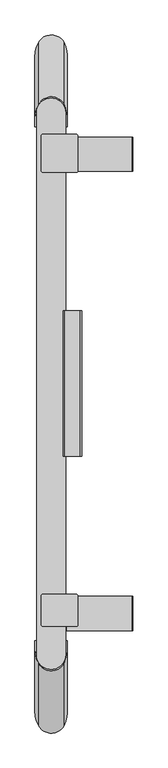
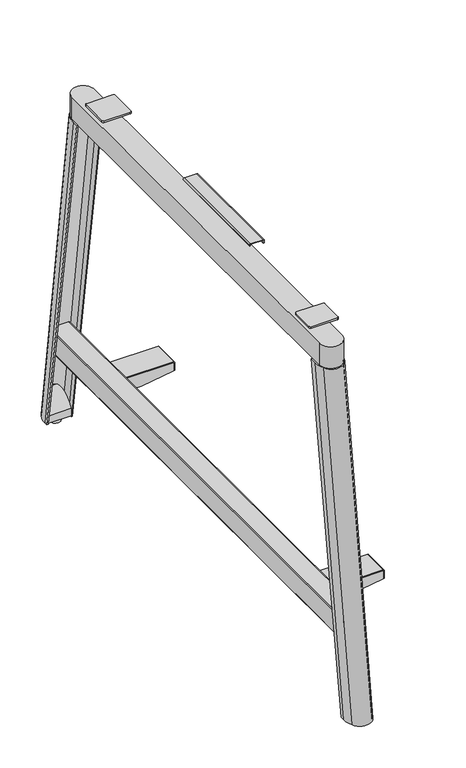
"""IFC4 building model written with IfcOpenShell, lengths in millimetres: furniture geometry."""

import ifcopenshell
import ifcopenshell.guid

model = None  # the IFC model being written
_history = None  # IfcOwnerHistory: only IFC2X3 demands one
_inside = {}  # id of a spatial element -> (the spatial element, [elements in it])
_under = {}  # id of a project, library or spatial element -> (it, [spatial elements below it])
_declared = {}  # id of a project -> (the project, [libraries it declares])
_typed = {}  # id of a type object -> (the type object, [elements of that type])
_made_of = {}  # id of a material, layer set ... -> (it, [elements and type objects made of it])


def new_model(schema):
    """Start an empty IFC model of exactly this schema.

    Asked for "IFC4X3", IfcOpenShell would pick the latest addendum, in which some entities
    have other attributes; the version numbers below select the first issue.
    IFC2X3 requires an IfcOwnerHistory on every rooted entity: one is made here for all.
    """
    global model, _history
    if schema == "IFC4X3":
        model = ifcopenshell.file(schema_version=(4, 3, 0, 0))
    else:
        model = ifcopenshell.file(schema=schema)
    _inside.clear()
    _under.clear()
    _declared.clear()
    _typed.clear()
    _made_of.clear()
    _history = None
    if model.schema == "IFC2X3":
        org = make("IfcOrganization", Name="unknown")
        user = make(
            "IfcPersonAndOrganization",
            ThePerson=make("IfcPerson", FamilyName="unknown"),
            TheOrganization=org,
        )
        app = make(
            "IfcApplication",
            ApplicationDeveloper=org,
            Version="unknown",
            ApplicationFullName="unknown",
            ApplicationIdentifier="unknown",
        )
        _history = make(
            "IfcOwnerHistory",
            OwningUser=user,
            OwningApplication=app,
            ChangeAction="ADDED",
            CreationDate=0,
        )
    return model


def make(cls, **values):
    """One entity of the class cls with the attributes given. An attribute that is None is left unset."""
    return model.create_entity(
        cls, **{name: value for name, value in values.items() if value is not None}
    )


def rooted(cls, **values):
    """An entity with a GlobalId (a new one), such as an element, a storey or a relation."""
    return make(cls, GlobalId=ifcopenshell.guid.new(), OwnerHistory=_history, **values)


def si_unit(unit_type, name, prefix=None):
    """IfcSIUnit, for example si_unit("LENGTHUNIT", "METRE", prefix="MILLI")."""
    return make("IfcSIUnit", UnitType=unit_type, Prefix=prefix, Name=name)


def assignment(units):
    """IfcUnitAssignment: the units of a project."""
    return None if units is None else make("IfcUnitAssignment", Units=units)


def point(xyz):
    """IfcCartesianPoint."""
    return None if xyz is None else make("IfcCartesianPoint", Coordinates=xyz)


def direction(xyz):
    """IfcDirection."""
    return None if xyz is None else make("IfcDirection", DirectionRatios=xyz)


def frame(location, z_axis=None, x_axis=None):
    """IfcAxis2Placement3D, a coordinate frame: its origin and axes. An axis left out is left unset."""
    return make(
        "IfcAxis2Placement3D",
        Location=point(location),
        Axis=direction(z_axis),
        RefDirection=direction(x_axis),
    )


def frame_2d(location, x_axis=None):
    """IfcAxis2Placement2D, a coordinate frame in the plane: its origin and x axis."""
    return make(
        "IfcAxis2Placement2D", Location=point(location), RefDirection=direction(x_axis)
    )


def origin():
    """The frame at (0, 0, 0) with its axes left unset."""
    return frame((0.0, 0.0, 0.0))


def place(relative_to, where):
    """IfcLocalPlacement: puts the frame where relative to a parent placement (None: the world)."""
    return make(
        "IfcLocalPlacement", PlacementRelTo=relative_to, RelativePlacement=where
    )


def context(
    kind, dimensions, precision=None, world=None, true_north=None, identifier=None
):
    """IfcGeometricRepresentationContext, for example the 3D "Model" context."""
    return make(
        "IfcGeometricRepresentationContext",
        ContextIdentifier=identifier,
        ContextType=kind,
        CoordinateSpaceDimension=dimensions,
        Precision=precision,
        WorldCoordinateSystem=world,
        TrueNorth=true_north,
    )


def project(units=None, contexts=None):
    """IfcProject with its units and contexts."""
    return rooted(
        "IfcProject",
        Name="project",
        RepresentationContexts=contexts,
        UnitsInContext=assignment(units),
    )


def spatial(cls, under=None, at=None, **own):
    """A site, building, storey or space (cls), placed at a placement, below another one or the project."""
    s = rooted(cls, ObjectPlacement=at, **own)
    if under is not None:
        _under.setdefault(under.id(), (under, []))[1].append(s)
    return s


def polyline(points):
    """IfcPolyline through the points."""
    return make("IfcPolyline", Points=[point(p) for p in points])


def circle_curve(where, radius):
    """IfcCircle in the frame where."""
    return make("IfcCircle", Position=where, Radius=radius)


def ellipse_curve(where, semi_axis1, semi_axis2):
    """IfcEllipse in the frame where."""
    return make(
        "IfcEllipse", Position=where, SemiAxis1=semi_axis1, SemiAxis2=semi_axis2
    )


def trimmed(basis, trim1, trim2, sense, master):
    """IfcTrimmedCurve: the piece of a basis curve between two trims."""
    return make(
        "IfcTrimmedCurve",
        BasisCurve=basis,
        Trim1=trim1,
        Trim2=trim2,
        SenseAgreement=sense,
        MasterRepresentation=master,
    )


def segment(curve, same_sense, transition):
    """IfcCompositeCurveSegment."""
    return make(
        "IfcCompositeCurveSegment",
        Transition=transition,
        SameSense=same_sense,
        ParentCurve=curve,
    )


def composite_curve(segments, self_intersect=None):
    """IfcCompositeCurve: segments joined end to end."""
    return make("IfcCompositeCurve", Segments=segments, SelfIntersect=self_intersect)


def outline(outer, holes=None, kind="AREA"):
    """IfcArbitraryClosedProfileDef: a profile drawn as a closed curve; with holes, ...WithVoids."""
    if holes is None:
        return make("IfcArbitraryClosedProfileDef", ProfileType=kind, OuterCurve=outer)
    return make(
        "IfcArbitraryProfileDefWithVoids",
        ProfileType=kind,
        OuterCurve=outer,
        InnerCurves=holes,
    )


def extrude(swept, where, along, depth):
    """IfcExtrudedAreaSolid: the profile swept, set in the frame where, extruded along a direction by depth."""
    return make(
        "IfcExtrudedAreaSolid",
        SweptArea=swept,
        Position=where,
        ExtrudedDirection=direction(along),
        Depth=depth,
    )


def shape(context_of_items, identifier, shape_type, items):
    """IfcShapeRepresentation: the items that make up one representation, for example the "Body"."""
    return make(
        "IfcShapeRepresentation",
        ContextOfItems=context_of_items,
        RepresentationIdentifier=identifier,
        RepresentationType=shape_type,
        Items=items,
    )


def source(mapping_origin, context_of_items, identifier, shape_type, items):
    """IfcRepresentationMap: a shape defined once, which mapped items show again and again."""
    return make(
        "IfcRepresentationMap",
        MappingOrigin=mapping_origin,
        MappedRepresentation=shape(context_of_items, identifier, shape_type, items),
    )


def transform(
    local_origin,
    x_axis=None,
    y_axis=None,
    z_axis=None,
    scale=None,
    scale2=None,
    scale3=None,
    uniform=True,
):
    """IfcCartesianTransformationOperator3D, or its non-uniform kind. x_axis, y_axis, z_axis: its Axis1, 2, 3."""
    if uniform:
        return make(
            "IfcCartesianTransformationOperator3D",
            Axis1=direction(x_axis),
            Axis2=direction(y_axis),
            LocalOrigin=point(local_origin),
            Scale=scale,
            Axis3=direction(z_axis),
        )
    return make(
        "IfcCartesianTransformationOperator3DnonUniform",
        Axis1=direction(x_axis),
        Axis2=direction(y_axis),
        LocalOrigin=point(local_origin),
        Scale=scale,
        Axis3=direction(z_axis),
        Scale2=scale2,
        Scale3=scale3,
    )


def mapped(mapping_source, mapping_target):
    """IfcMappedItem: shows the shape of a source again, moved by a transform."""
    return make(
        "IfcMappedItem", MappingSource=mapping_source, MappingTarget=mapping_target
    )


def made_of(thing, what):
    """Note that an element or type object is made of a material, layer set ...; save() writes the relation."""
    if what is not None:
        _made_of.setdefault(what.id(), (what, []))[1].append(thing)
    return thing


def element(
    cls,
    number,
    at=None,
    inside=None,
    cuts=None,
    type_object=None,
    material=None,
    context=None,
    identifier="Body",
    shape_type=None,
    held_by="IfcProductDefinitionShape",
    body=None,
    shapes=None,
    **own,
):
    """One element of the class cls, such as IfcWall. Its Tag is "e" and its number.

    at: its placement. inside: the storey or other place that contains it. cuts: it is an
    opening in that element (IfcRelVoidsElement). A single representation is given by context,
    identifier, shape_type and body (its items); several are given by shapes. held_by: the class
    of the entity that holds the representations. save() writes the other relations.
    """
    e = rooted(cls, Tag="e%d" % number, ObjectPlacement=at, **own)
    if body is not None:
        shapes = [shape(context, identifier, shape_type, body)]
    if shapes is not None:
        e.Representation = make(held_by, Representations=shapes)
    if inside is not None:
        _inside.setdefault(inside.id(), (inside, []))[1].append(e)
    if cuts is not None:
        rooted(
            "IfcRelVoidsElement", RelatingBuildingElement=cuts, RelatedOpeningElement=e
        )
    if type_object is not None:
        _typed.setdefault(type_object.id(), (type_object, []))[1].append(e)
    return made_of(e, material)


def aggregate(whole, parts):
    """IfcRelAggregates: a whole, such as a stair, and the parts it consists of."""
    return rooted("IfcRelAggregates", RelatingObject=whole, RelatedObjects=parts)


def save(model, path):
    """Write the relations noted so far, then the file.

    IfcRelAggregates (storeys below a building ...), IfcRelContainedInSpatialStructure (elements
    in a storey), IfcRelDefinesByType, IfcRelAssociatesMaterial and IfcRelDeclares: one each for
    every whole, place, type object, material and project.
    """
    for whole, parts in _under.values():
        aggregate(whole, parts)
    for where, things in _inside.values():
        rooted(
            "IfcRelContainedInSpatialStructure",
            RelatedElements=things,
            RelatingStructure=where,
        )
    for kind, things in _typed.values():
        rooted("IfcRelDefinesByType", RelatedObjects=things, RelatingType=kind)
    for what, things in _made_of.values():
        rooted("IfcRelAssociatesMaterial", RelatedObjects=things, RelatingMaterial=what)
    for by, libraries in _declared.values():
        rooted("IfcRelDeclares", RelatingContext=by, RelatedDefinitions=libraries)
    model.write(path)


def plane_surface(at):
    """IfcPlane: the flat surface through the origin of the frame at, square to its z axis."""
    return make("IfcPlane", Position=at)


def cylinder_surface(at, radius):
    """IfcCylindricalSurface: all points at the distance radius from the z axis of the frame at."""
    return make("IfcCylindricalSurface", Position=at, Radius=radius)


def extruded_surface(curve, direction_of_extrusion, depth):
    """IfcSurfaceOfLinearExtrusion: the curve pushed along a direction by depth."""
    return make(
        "IfcSurfaceOfLinearExtrusion",
        SweptCurve=make("IfcArbitraryOpenProfileDef", ProfileType="CURVE", Curve=curve),
        ExtrudedDirection=direction(direction_of_extrusion),
        Depth=depth,
    )


def advanced_brep(points, edges, surfaces, faces):
    """IfcAdvancedBrep: a solid bounded by faces that lie on surfaces and meet in shared edges.

    An edge is (start, end): straight between two places in points (the first is 0);
    or (start, end, curve); or (start, end, curve, False) where it runs against its curve.
    A face is (place in surfaces, loops), or (place, loops, False) where it looks against
    its surface's normal. A loop lists edges by number (the first is 1), with a minus sign
    where the edge is run from its end to its start. The first loop is the outer one.
    """
    corners = [point(p) for p in points]
    vertices = [make("IfcVertexPoint", VertexGeometry=c) for c in corners]
    made = []
    for start, end, *more in edges:
        made.append(
            make(
                "IfcEdgeCurve",
                EdgeStart=vertices[start],
                EdgeEnd=vertices[end],
                EdgeGeometry=more[0] if more else make("IfcPolyline", Points=[corners[start], corners[end]]),
                SameSense=more[1] if len(more) > 1 else True,
            )
        )
    hull = []
    for where, loops, *sense in faces:
        bounds = []
        for j, loop in enumerate(loops):
            ring = [make("IfcOrientedEdge", EdgeElement=made[abs(k) - 1], Orientation=k > 0) for k in loop]
            bounds.append(
                make(
                    "IfcFaceOuterBound" if j == 0 else "IfcFaceBound",
                    Bound=make("IfcEdgeLoop", EdgeList=ring),
                    Orientation=True,
                )
            )
        hull.append(make("IfcAdvancedFace", Bounds=bounds, FaceSurface=surfaces[where], SameSense=sense[0] if sense else True))
    return make("IfcAdvancedBrep", Outer=make("IfcClosedShell", CfsFaces=hull))


def furniture_1a665bd4(model_context):
    return source(origin(), model_context, "Body", "SolidModel", [
        extrude(outline(polyline([(247.1098626, 204.7509062), (247.1098626, 71.0011458), (213.0002781, 71.0011458), (213.0002781, 120.0296955), (226.0006492, 204.7509062), (247.1098626, 204.7509062)])), frame((0.0, -480.2803295, 0.0), z_axis=(0.0, 1.0, 0.0), x_axis=(0.0, 0.0, 1.0)), (0.0, 0.0, 1.0), 2.5699868),
        extrude(outline(polyline([(247.1098626, 204.7509062), (247.1098626, 71.0011458), (213.0002781, 71.0011458), (213.0002781, 120.0296955), (226.0006492, 204.7509062), (247.1098626, 204.7509062)])), frame((0.0, -412.9095614, 0.0), z_axis=(0.0, 1.0, 0.0), x_axis=(0.0, 0.0, 1.0)), (0.0, 0.0, 1.0), 2.5976563),
        extrude(outline(composite_curve([segment(polyline([(249.9945153, 204.3893194), (249.9945153, 71.2790115)]), True, "CONTINUOUS"), segment(trimmed(circle_curve(frame_2d((247.3393732, 71.2790115)), 2.6551421), [point((249.9945153, 71.2790115))], [point((247.3393732, 68.6238694))], False, "CARTESIAN"), True, "CONTINUOUS"), segment(polyline([(247.3393732, 68.6238694), (215.1802751, 68.6238694)]), True, "CONTINUOUS"), segment(trimmed(circle_curve(frame_2d((215.1802751, 66.4438379)), 2.1800315), [point((215.1802751, 68.6238694))], [point((213.0002436, 66.4438379))], True, "CARTESIAN"), True, "CONTINUOUS"), segment(polyline([(213.0002436, 66.4438379), (213.0002436, 45.6962116), (211.1704919, 45.6962116), (211.1704919, 68.4397052)]), True, "CONTINUOUS"), segment(trimmed(circle_curve(frame_2d((213.7319325, 68.4397052)), 2.5614406), [point((211.1704919, 68.4397052))], [point((213.7319325, 71.0011458))], False, "CARTESIAN"), True, "CONTINUOUS"), segment(polyline([(213.7319325, 71.0011458), (247.1098626, 71.0011458), (247.1098626, 204.7509062), (226.0006492, 204.7509062), (226.0006492, 206.692303), (247.6915317, 206.692303)]), True, "CONTINUOUS"), segment(trimmed(circle_curve(frame_2d((247.6915317, 204.3893194)), 2.3029836), [point((247.6915317, 206.692303))], [point((249.9945153, 204.3893194))], False, "CARTESIAN"), True, "CONTINUOUS")], self_intersect=False)), frame((0.0, -480.2803295, 0.0), z_axis=(0.0, 1.0, 0.0), x_axis=(0.0, 0.0, 1.0)), (0.0, 0.0, 1.0), 69.9684243),
        extrude(outline(polyline([(247.1098626, 204.7509062), (247.1098626, 71.0011458), (213.0002781, 71.0011458), (213.0002781, 120.0296955), (226.0006492, 204.7509062), (247.1098626, 204.7509062)])), frame((0.0, 527.0884854, 0.0), z_axis=(0.0, 1.0, 0.0), x_axis=(0.0, 0.0, 1.0)), (0.0, 0.0, 1.0), 2.5976563),
        extrude(outline(polyline([(247.1098626, 204.7509062), (247.1098626, 71.0011458), (213.0002781, 71.0011458), (213.0002781, 120.0296955), (226.0006492, 204.7509062), (247.1098626, 204.7509062)])), frame((0.0, 459.6993826, 0.0), z_axis=(0.0, 1.0, 0.0), x_axis=(0.0, 0.0, 1.0)), (0.0, 0.0, 1.0), 2.5883215),
        extrude(outline(composite_curve([segment(polyline([(249.9945153, 204.3893194), (249.9945153, 71.2790115)]), True, "CONTINUOUS"), segment(trimmed(circle_curve(frame_2d((247.3393732, 71.2790115)), 2.6551421), [point((249.9945153, 71.2790115))], [point((247.3393732, 68.6238694))], False, "CARTESIAN"), True, "CONTINUOUS"), segment(polyline([(247.3393732, 68.6238694), (215.1802751, 68.6238694)]), True, "CONTINUOUS"), segment(trimmed(circle_curve(frame_2d((215.1802751, 66.4438379)), 2.1800315), [point((215.1802751, 68.6238694))], [point((213.0002436, 66.4438379))], True, "CARTESIAN"), True, "CONTINUOUS"), segment(polyline([(213.0002436, 66.4438379), (213.0002436, 45.6962116), (211.1704919, 45.6962116), (211.1704919, 68.4397052)]), True, "CONTINUOUS"), segment(trimmed(circle_curve(frame_2d((213.7319325, 68.4397052)), 2.5614406), [point((211.1704919, 68.4397052))], [point((213.7319325, 71.0011458))], False, "CARTESIAN"), True, "CONTINUOUS"), segment(polyline([(213.7319325, 71.0011458), (247.1098626, 71.0011458), (247.1098626, 204.7509062), (226.0006492, 204.7509062), (226.0006492, 206.692303), (247.6915317, 206.692303)]), True, "CONTINUOUS"), segment(trimmed(circle_curve(frame_2d((247.6915317, 204.3893194)), 2.3029836), [point((247.6915317, 206.692303))], [point((249.9945153, 204.3893194))], False, "CARTESIAN"), True, "CONTINUOUS")], self_intersect=False)), frame((0.0, 459.6993826, 0.0), z_axis=(0.0, 1.0, 0.0), x_axis=(0.0, 0.0, 1.0)), (0.0, 0.0, 1.0), 69.986759),
        extrude(outline(composite_curve([segment(trimmed(circle_curve(frame_2d((215.434677, 62.5655666)), 2.4344334), [point((213.0002436, 62.5655666))], [point((215.434677, 65.0))], False, "CARTESIAN"), True, "CONTINUOUS"), segment(polyline([(215.434677, 65.0), (271.0148288, 65.0)]), True, "CONTINUOUS"), segment(trimmed(circle_curve(frame_2d((271.0148288, 63.0151407)), 1.9848593), [point((271.0148288, 65.0))], [point((272.9996881, 63.0151407))], False, "CARTESIAN"), True, "CONTINUOUS"), segment(polyline([(272.9996881, 63.0151407), (272.9996881, 14.7788126)]), True, "CONTINUOUS"), segment(trimmed(circle_curve(frame_2d((270.8389791, 14.7788126)), 2.160709), [point((272.9996881, 14.7788126))], [point((270.8389791, 12.6181036))], False, "CARTESIAN"), True, "CONTINUOUS"), segment(polyline([(270.8389791, 12.6181036), (215.3933211, 12.6181036)]), True, "CONTINUOUS"), segment(trimmed(circle_curve(frame_2d((215.3933211, 15.0111811)), 2.3930774), [point((215.3933211, 12.6181036))], [point((213.0002436, 15.0111811))], False, "CARTESIAN"), True, "CONTINUOUS"), segment(polyline([(213.0002436, 15.0111811), (213.0002436, 62.5655666)]), True, "CONTINUOUS")], self_intersect=False)), frame((0.0, -635.7812811, 0.0), z_axis=(0.0, 1.0, 0.0), x_axis=(0.0, 0.0, 1.0)), (0.0, 0.0, 1.0), 1320.9375622),
        advanced_brep(
        [(6.0, -635.7812811, 9.9999392), (9.4999998, -635.7812811, 9.9999392), (9.4999998, -645.7065799, 9.9999392), (13.8271404, -669.176268, 9.9999392), (64.8959051, -669.4877121, 9.9999392), (68.8203133, -648.907064, 9.9999392), (68.8203133, -635.7812811, 9.9999392), (72.000002, -635.7812811, 9.9999392), (72.000002, -648.907064, 9.9999392), (65.9903208, -673.7603717, 9.9999392), (12.3278754, -673.1778157, 9.9999392), (6.0, -645.7065799, 9.9999392), (6.0, -501.0025911, 910.214177), (6.0, -518.2065799, 910.214177), (12.3278754, -545.6778157, 910.214177), (65.9903208, -546.2603717, 910.214177), (72.000002, -521.407064, 910.214177), (72.000002, -501.0025911, 910.214177), (68.8203133, -501.0025911, 910.214177), (68.8203133, -521.407064, 910.214177), (64.8959051, -541.9877121, 910.214177), (13.8271404, -541.676268, 910.214177), (9.4999998, -518.2065799, 910.214177), (9.4999998, -501.0025911, 910.214177)],
        [
            (0, 1),
            (1, 2),
            (2, 3, circle_curve(frame((75.3114051, -645.7065799, 9.9999392), z_axis=(0.0, 0.0, 1.0), x_axis=(1.0, 0.0, 0.0)), 65.8114053)),
            (3, 4, circle_curve(frame((39.4220553, -659.4062126, 9.9999392), z_axis=(0.0, 0.0, 1.0), x_axis=(1.0, 0.0, 0.0)), 27.3962343)),
            (4, 5, circle_curve(frame((12.8928932, -648.907064, 9.9999392), z_axis=(0.0, 0.0, 1.0), x_axis=(1.0, 0.0, 0.0)), 55.9274201)),
            (5, 6),
            (6, 7),
            (7, 8),
            (8, 9, circle_curve(frame((17.6041738, -648.907064, 9.9999392), z_axis=(0.0, 0.0, -1.0), x_axis=(1.0, 0.0, 0.0)), 54.3958282)),
            (9, 10, circle_curve(frame((39.3047374, -660.0534523, 9.9999392), z_axis=(0.0, 0.0, -1.0), x_axis=(1.0, 0.0, 0.0)), 30.0)),
            (10, 11, circle_curve(frame((68.794442, -645.7065799, 9.9999392), z_axis=(0.0, 0.0, -1.0), x_axis=(1.0, 0.0, 0.0)), 62.794442)),
            (11, 0),
            (12, 13),
            (13, 14, circle_curve(frame((68.794442, -518.2065799, 910.214177), z_axis=(0.0, 0.0, 1.0), x_axis=(1.0, 0.0, 0.0)), 62.794442)),
            (14, 15, circle_curve(frame((39.3047374, -532.5534523, 910.214177), z_axis=(0.0, 0.0, 1.0), x_axis=(1.0, 0.0, 0.0)), 30.0)),
            (15, 16, circle_curve(frame((17.6041738, -521.407064, 910.214177), z_axis=(0.0, 0.0, 1.0), x_axis=(1.0, 0.0, 0.0)), 54.3958282)),
            (16, 17),
            (17, 18),
            (18, 19),
            (19, 20, circle_curve(frame((12.8928932, -521.407064, 910.214177), z_axis=(0.0, 0.0, -1.0), x_axis=(1.0, 0.0, 0.0)), 55.9274201)),
            (20, 21, circle_curve(frame((39.4220553, -531.9062126, 910.214177), z_axis=(0.0, 0.0, -1.0), x_axis=(1.0, 0.0, 0.0)), 27.3962343)),
            (21, 22, circle_curve(frame((75.3114051, -518.2065799, 910.214177), z_axis=(0.0, 0.0, -1.0), x_axis=(1.0, 0.0, 0.0)), 65.8114053)),
            (22, 23),
            (23, 12),
            (22, 2),
            (1, 23),
            (21, 3),
            (20, 4),
            (19, 5),
            (18, 6),
            (16, 8),
            (7, 17),
            (15, 9),
            (14, 10),
            (13, 11),
            (12, 0),
        ],
        [
            plane_surface(frame((39.140156, -651.496215, 9.9999392), z_axis=(0.0, 0.0, -1.0), x_axis=(0.0, 1.0, 0.0))),
            plane_surface(frame((39.140156, -521.569985, 910.214177), z_axis=(0.0, 0.0, 1.0), x_axis=(0.0, 1.0, 0.0))),
            plane_surface(frame((9.4999998, -509.6045855, 910.214177), z_axis=(1.0, 0.0, 0.0), x_axis=(0.0, 1.0, 0.0))),
            extruded_surface(trimmed(circle_curve(frame((75.3114051, -645.7065799, 9.9999392), z_axis=(0.0, 0.0, -1.0), x_axis=(1.0, 0.0, 0.0)), 65.8114053), [point((13.8271404, -669.176268, 9.9999392))], [point((9.4999998, -645.7065799, 9.9999392))], True, "CARTESIAN"), (0.0, 127.5, 900.2142378), 909.1985063438209),
            extruded_surface(trimmed(circle_curve(frame((39.4220553, -659.4062126, 9.9999392), z_axis=(0.0, 0.0, -1.0), x_axis=(1.0, 0.0, 0.0)), 27.3962343), [point((64.8959051, -669.4877121, 9.9999392))], [point((13.8271404, -669.176268, 9.9999392))], True, "CARTESIAN"), (0.0, 127.5, 900.2142378), 909.1985063438209),
            extruded_surface(trimmed(circle_curve(frame((12.8928932, -648.907064, 9.9999392), z_axis=(0.0, 0.0, -1.0), x_axis=(1.0, 0.0, 0.0)), 55.9274201), [point((68.8203133, -648.907064, 9.9999392))], [point((64.8959051, -669.4877121, 9.9999392))], True, "CARTESIAN"), (0.0, 127.5, 900.2142378), 909.1985063438209),
            plane_surface(frame((68.8203133, -511.2048276, 910.214177), z_axis=(-1.0, 0.0, 0.0), x_axis=(0.0, -1.0, 0.0))),
            plane_surface(frame((72.000002, -511.2048276, 910.214177), z_axis=(1.0, 0.0, 0.0), x_axis=(0.0, 1.0, 0.0))),
            extruded_surface(trimmed(circle_curve(frame((17.6041738, -648.907064, 9.9999392), z_axis=(0.0, 0.0, 1.0), x_axis=(1.0, 0.0, 0.0)), 54.3958282), [point((65.9903208, -673.7603717, 9.9999392))], [point((72.000002, -648.907064, 9.9999392))], True, "CARTESIAN"), (0.0, 127.5, 900.2142378), 909.1985063438209),
            extruded_surface(trimmed(circle_curve(frame((39.3047374, -660.0534523, 9.9999392), z_axis=(0.0, 0.0, 1.0), x_axis=(1.0, 0.0, 0.0)), 30.0), [point((12.3278754, -673.1778157, 9.9999392))], [point((65.9903208, -673.7603717, 9.9999392))], True, "CARTESIAN"), (0.0, 127.5, 900.2142378), 909.1985063438209),
            extruded_surface(trimmed(circle_curve(frame((68.794442, -645.7065799, 9.9999392), z_axis=(0.0, 0.0, 1.0), x_axis=(1.0, 0.0, 0.0)), 62.794442), [point((6.0, -645.7065799, 9.9999392))], [point((12.3278754, -673.1778157, 9.9999392))], True, "CARTESIAN"), (0.0, 127.5, 900.2142378), 909.1985063438209),
            plane_surface(frame((6.0, -509.6045855, 910.214177), z_axis=(-1.0, 0.0, 0.0), x_axis=(0.0, -1.0, 0.0))),
            plane_surface(frame((70.4101576, -501.0025911, 910.214177), z_axis=(0.0, 0.9889771617216371, -0.14806813834520582), x_axis=(-1.0, 0.0, 0.0))),
            plane_surface(frame((7.7499999, -501.0025911, 910.214177), z_axis=(0.0, 0.9889771617216371, -0.14806813834520582), x_axis=(-1.0, 0.0, 0.0))),
        ],
        [
            (0, [[1, 2, 3, 4, 5, 6, 7, 8, 9, 10, 11, 12]]),
            (1, [[13, 14, 15, 16, 17, 18, 19, 20, 21, 22, 23, 24]]),
            (2, [[25, -2, 26, -23]]),
            (3, [[27, -3, -25, -22]]),
            (4, [[28, -4, -27, -21]]),
            (5, [[29, -5, -28, -20]]),
            (6, [[30, -6, -29, -19]]),
            (7, [[31, -8, 32, -17]]),
            (8, [[33, -9, -31, -16]]),
            (9, [[34, -10, -33, -15]]),
            (10, [[35, -11, -34, -14]]),
            (11, [[36, -12, -35, -13]]),
            (12, [[-32, -7, -30, -18]]),
            (13, [[-26, -1, -36, -24]]),
        ],
    ),
        advanced_brep(
        [(54.0138053, -672.6924459, 83.9457941), (24.3065078, -672.6924459, 83.9457941), (68.8203133, -635.7812811, 13.8007201), (68.8203133, -647.0196194, 13.8007201), (9.4999998, -647.0196194, 13.8007201), (9.4999998, -635.7812811, 13.8007201), (68.8203133, -635.7812811, 34.9630241), (68.8203133, -647.0196194, 49.8768028), (9.4999998, -647.0196194, 49.8768028), (9.4999998, -635.7812811, 34.9630241)],
        [
            (0, 1),
            (1, 0, circle_curve(frame((39.1601565, -647.0196194, 83.9457941), z_axis=(0.0, 0.0, 1.0), x_axis=(1.0, 0.0, 0.0)), 29.6601567)),
            (2, 3),
            (3, 4, circle_curve(frame((39.1601565, -647.0196194, 13.8007201), z_axis=(0.0, 0.0, -1.0), x_axis=(1.0, 0.0, 0.0)), 29.6601567)),
            (4, 5),
            (5, 2),
            (2, 6),
            (6, 7),
            (7, 3),
            (7, 0, ellipse_curve(frame((39.1601565, -647.0196194, 49.8768028), z_axis=(0.0, -0.7986355100473013, -0.6018150231520372), x_axis=(0.0, -0.6018150231520372, 0.7986355100473012)), 49.284507, 29.6601567)),
            (1, 8, ellipse_curve(frame((39.1601565, -647.0196194, 49.8768028), z_axis=(0.0, -0.7986355100473013, -0.6018150231520372), x_axis=(0.0, -0.6018150231520372, 0.7986355100473012)), 49.284507, 29.6601567)),
            (8, 4),
            (8, 9),
            (9, 5),
            (9, 6),
        ],
        [
            plane_surface(frame((9.4999998, 684.1310312, 83.9457941), z_axis=(0.0, 0.0, 1.0), x_axis=(-1.0, 0.0, 0.0))),
            plane_surface(frame((9.4999998, 684.1310312, 13.8007201), z_axis=(0.0, 0.0, -1.0), x_axis=(1.0, 0.0, 0.0))),
            plane_surface(frame((68.8203133, -635.7812811, 83.9457941), z_axis=(1.0, 0.0, 0.0), x_axis=(0.0, 0.0, -1.0))),
            cylinder_surface(frame((39.1601565, -647.0196194, 0.0), z_axis=(0.0, 0.0, 1.0), x_axis=(1.0, 0.0, 0.0)), 29.6601567),
            plane_surface(frame((9.4999998, -647.0196194, 83.9457941), z_axis=(-1.0, 0.0, 0.0), x_axis=(0.0, 0.0, -1.0))),
            plane_surface(frame((9.4999998, -635.7812811, 83.9457941), z_axis=(0.0, 1.0, 0.0), x_axis=(0.0, 0.0, -1.0))),
            plane_surface(frame((78.517827, -628.0791209, 24.7419123), z_axis=(0.0, 0.7986355100473013, 0.6018150231520372), x_axis=(-1.0, 0.0, 0.0))),
        ],
        [
            (0, [[1, 2]]),
            (1, [[3, 4, 5, 6]]),
            (2, [[7, 8, 9, -3]]),
            (3, [[-9, 10, -2, 11, 12, -4]]),
            (4, [[-12, 13, 14, -5]]),
            (5, [[-14, 15, -7, -6]]),
            (6, [[-10, -8, -15, -13, -11, -1]]),
        ],
    ),
        advanced_brep(
        [(25.4867952, 722.0674459, 83.9457941), (52.8335179, 722.0674459, 83.9457941), (68.8203133, 684.1310312, 13.8007201), (9.4999998, 684.1310312, 13.8007201), (9.4999998, 695.7470339, 13.8007201), (68.8203133, 695.7470339, 13.8007201), (68.8203133, 684.1310312, 33.6024715), (9.4999998, 684.1310312, 33.6024715), (9.4999998, 695.7470339, 49.0174277), (68.8203133, 695.7470339, 49.0174277)],
        [
            (0, 1),
            (1, 0, circle_curve(frame((39.1601565, 695.7470339, 83.9457941), z_axis=(0.0, 0.0, 1.0), x_axis=(1.0, 0.0, 0.0)), 29.6601567)),
            (2, 3),
            (3, 4),
            (4, 5, circle_curve(frame((39.1601565, 695.7470339, 13.8007201), z_axis=(0.0, 0.0, -1.0), x_axis=(1.0, 0.0, 0.0)), 29.6601567)),
            (5, 2),
            (2, 6),
            (6, 7),
            (7, 3),
            (7, 8),
            (8, 4),
            (8, 0, ellipse_curve(frame((39.1601565, 695.7470339, 49.0174277), z_axis=(0.0, 0.7986355100473009, -0.6018150231520376), x_axis=(0.0, 0.6018150231520377, 0.7986355100473009)), 49.284507, 29.6601567)),
            (1, 9, ellipse_curve(frame((39.1601565, 695.7470339, 49.0174277), z_axis=(0.0, 0.7986355100473009, -0.6018150231520376), x_axis=(0.0, 0.6018150231520377, 0.7986355100473009)), 49.284507, 29.6601567)),
            (9, 5),
            (9, 6),
        ],
        [
            plane_surface(frame((9.4999998, 684.1310312, 83.9457941), z_axis=(0.0, 0.0, 1.0), x_axis=(-1.0, 0.0, 0.0))),
            plane_surface(frame((9.4999998, 684.1310312, 13.8007201), z_axis=(0.0, 0.0, -1.0), x_axis=(1.0, 0.0, 0.0))),
            plane_surface(frame((68.8203133, 684.1310312, 83.9457941), z_axis=(0.0, -1.0, 0.0), x_axis=(0.0, 0.0, -1.0))),
            plane_surface(frame((9.4999998, 684.1310312, 83.9457941), z_axis=(-1.0, 0.0, 0.0), x_axis=(0.0, 0.0, -1.0))),
            cylinder_surface(frame((39.1601565, 695.7470339, 13.8007201), z_axis=(0.0, 0.0, 1.0), x_axis=(1.0, 0.0, 0.0)), 29.6601567),
            plane_surface(frame((68.8203133, 695.7470339, 83.9457941), z_axis=(1.0, 0.0, 0.0), x_axis=(0.0, 0.0, -1.0))),
            plane_surface(frame((78.517827, 725.5993228, 88.6327531), z_axis=(0.0, -0.7986355100473009, 0.6018150231520376), x_axis=(-1.0, 0.0, 0.0))),
        ],
        [
            (0, [[1, 2]]),
            (1, [[3, 4, 5, 6]]),
            (2, [[7, 8, 9, -3]]),
            (3, [[-9, 10, 11, -4]]),
            (4, [[-11, 12, -2, 13, 14, -5]]),
            (5, [[-14, 15, -7, -6]]),
            (6, [[-12, -10, -8, -15, -13, -1]]),
        ],
    ),
        advanced_brep(
        [(39.0898793, 706.575, 0.0), (53.2969699, 706.575, 0.0), (24.8827886, 706.575, 0.0), (53.2969699, 706.575, 8.4999997), (24.8827886, 706.575, 8.4999997), (44.1143182, 706.575, 8.4999997), (34.0654403, 706.575, 8.4999997), (44.1143182, 706.575, 16.425781), (34.0654403, 706.575, 16.425781), (39.0898793, 706.575, 16.425781)],
        [
            (0, 1),
            (1, 2, circle_curve(frame((39.0898793, 706.575, 0.0), z_axis=(0.0, 0.0, -1.0), x_axis=(-1.0, 0.0, 0.0)), 14.2070907)),
            (2, 0),
            (2, 1, circle_curve(frame((39.0898793, 706.575, 0.0), z_axis=(0.0, 0.0, -1.0), x_axis=(-1.0, 0.0, 0.0)), 14.2070907)),
            (1, 3),
            (3, 4, circle_curve(frame((39.0898793, 706.575, 8.4999997), z_axis=(0.0, 0.0, -1.0), x_axis=(-1.0, 0.0, 0.0)), 14.2070907)),
            (4, 2),
            (4, 3, circle_curve(frame((39.0898793, 706.575, 8.4999997), z_axis=(0.0, 0.0, -1.0), x_axis=(-1.0, 0.0, 0.0)), 14.2070907)),
            (3, 5),
            (5, 6, circle_curve(frame((39.0898793, 706.575, 8.4999997), z_axis=(0.0, 0.0, -1.0), x_axis=(-1.0, 0.0, 0.0)), 5.024439)),
            (6, 4),
            (6, 5, circle_curve(frame((39.0898793, 706.575, 8.4999997), z_axis=(0.0, 0.0, -1.0), x_axis=(-1.0, 0.0, 0.0)), 5.024439)),
            (5, 7),
            (7, 8, circle_curve(frame((39.0898793, 706.575, 16.425781), z_axis=(0.0, 0.0, -1.0), x_axis=(-1.0, 0.0, 0.0)), 5.024439)),
            (8, 6),
            (8, 7, circle_curve(frame((39.0898793, 706.575, 16.425781), z_axis=(0.0, 0.0, -1.0), x_axis=(-1.0, 0.0, 0.0)), 5.024439)),
            (7, 9),
            (9, 8),
        ],
        [
            plane_surface(frame((39.0898793, 706.575, 0.0), z_axis=(0.0, 0.0, -1.0), x_axis=(-1.0, 0.0, 0.0))),
            cylinder_surface(frame((39.0898793, 706.575, 16.425781), z_axis=(0.0, 0.0, -1.0), x_axis=(-1.0, 0.0, 0.0)), 14.2070907),
            plane_surface(frame((39.0898793, 706.575, 8.4999997), z_axis=(0.0, 0.0, 1.0), x_axis=(-1.0, 0.0, 0.0))),
            cylinder_surface(frame((39.0898793, 706.575, 16.425781), z_axis=(0.0, 0.0, -1.0), x_axis=(-1.0, 0.0, 0.0)), 5.024439),
            plane_surface(frame((39.0898793, 706.575, 16.425781), z_axis=(0.0, 0.0, 1.0), x_axis=(-1.0, 0.0, 0.0))),
        ],
        [
            (0, [[1, 2, 3]]),
            (0, [[-3, 4, -1]]),
            (1, [[5, 6, 7, -2]]),
            (1, [[-7, 8, -5, -4]]),
            (2, [[9, 10, 11, -6]]),
            (2, [[-11, 12, -9, -8]]),
            (3, [[13, 14, 15, -10]]),
            (3, [[-15, 16, -13, -12]]),
            (4, [[17, 18, -14]]),
            (4, [[-18, -17, -16]]),
        ],
    ),
        advanced_brep(
        [(53.2969699, -657.2, 0.0), (39.0898793, -657.2, 0.0), (24.8827886, -657.2, 0.0), (53.2969699, -657.2, 8.4999997), (24.8827886, -657.2, 8.4999997), (44.1143182, -657.2, 8.4999997), (34.0654403, -657.2, 8.4999997), (44.1143182, -657.2, 16.425781), (34.0654403, -657.2, 16.425781), (39.0898793, -657.2, 16.425781)],
        [
            (0, 1),
            (1, 2),
            (2, 0, circle_curve(frame((39.0898793, -657.2, 0.0), z_axis=(0.0, 0.0, -1.0), x_axis=(-1.0, 0.0, 0.0)), 14.2070907)),
            (0, 2, circle_curve(frame((39.0898793, -657.2, 0.0), z_axis=(0.0, 0.0, -1.0), x_axis=(-1.0, 0.0, 0.0)), 14.2070907)),
            (3, 0),
            (2, 4),
            (4, 3, circle_curve(frame((39.0898793, -657.2, 8.4999997), z_axis=(0.0, 0.0, -1.0), x_axis=(-1.0, 0.0, 0.0)), 14.2070907)),
            (3, 4, circle_curve(frame((39.0898793, -657.2, 8.4999997), z_axis=(0.0, 0.0, -1.0), x_axis=(-1.0, 0.0, 0.0)), 14.2070907)),
            (5, 3),
            (4, 6),
            (6, 5, circle_curve(frame((39.0898793, -657.2, 8.4999997), z_axis=(0.0, 0.0, -1.0), x_axis=(-1.0, 0.0, 0.0)), 5.024439)),
            (5, 6, circle_curve(frame((39.0898793, -657.2, 8.4999997), z_axis=(0.0, 0.0, -1.0), x_axis=(-1.0, 0.0, 0.0)), 5.024439)),
            (7, 5),
            (6, 8),
            (8, 7, circle_curve(frame((39.0898793, -657.2, 16.425781), z_axis=(0.0, 0.0, -1.0), x_axis=(-1.0, 0.0, 0.0)), 5.024439)),
            (7, 8, circle_curve(frame((39.0898793, -657.2, 16.425781), z_axis=(0.0, 0.0, -1.0), x_axis=(-1.0, 0.0, 0.0)), 5.024439)),
            (9, 7),
            (8, 9),
        ],
        [
            plane_surface(frame((39.0898793, -657.2, 0.0), z_axis=(0.0, 0.0, -1.0), x_axis=(-1.0, 0.0, 0.0))),
            cylinder_surface(frame((39.0898793, -657.2, 16.425781), z_axis=(0.0, 0.0, 1.0), x_axis=(-1.0, 0.0, 0.0)), 14.2070907),
            plane_surface(frame((39.0898793, -657.2, 8.4999997), z_axis=(0.0, 0.0, 1.0), x_axis=(-1.0, 0.0, 0.0))),
            cylinder_surface(frame((39.0898793, -657.2, 16.425781), z_axis=(0.0, 0.0, 1.0), x_axis=(-1.0, 0.0, 0.0)), 5.024439),
            plane_surface(frame((39.0898793, -657.2, 16.425781), z_axis=(0.0, 0.0, 1.0), x_axis=(-1.0, 0.0, 0.0))),
        ],
        [
            (0, [[1, 2, 3]]),
            (0, [[-2, -1, 4]]),
            (1, [[5, -3, 6, 7]]),
            (1, [[-6, -4, -5, 8]]),
            (2, [[9, -7, 10, 11]]),
            (2, [[-10, -8, -9, 12]]),
            (3, [[13, -11, 14, 15]]),
            (3, [[-14, -12, -13, 16]]),
            (4, [[17, -15, 18]]),
            (4, [[-18, -16, -17]]),
        ],
    ),
        advanced_brep(
        [(6.0, 685.1562811, 9.9999392), (6.0, 694.4339943, 9.9999392), (12.3278754, 721.9052302, 9.9999392), (65.9903208, 722.4877861, 9.9999392), (72.000002, 697.6344785, 9.9999392), (72.000002, 685.1562811, 9.9999392), (68.8203133, 685.1562811, 9.9999392), (68.8203133, 697.6344785, 9.9999392), (64.8959051, 718.2151265, 9.9999392), (13.8271404, 717.9036824, 9.9999392), (9.4999998, 694.4339943, 9.9999392), (9.4999998, 685.1562811, 9.9999392), (6.0, 551.0025911, 910.214177), (9.4999998, 551.0025911, 910.214177), (9.4999998, 567.5589943, 910.214177), (13.8271404, 591.0286824, 910.214177), (64.8959051, 591.3401265, 910.214177), (68.8203133, 570.7594785, 910.214177), (68.8203133, 551.0025911, 910.214177), (72.000002, 551.0025911, 910.214177), (72.000002, 570.7594785, 910.214177), (65.9903208, 595.6127861, 910.214177), (12.3278754, 595.0302302, 910.214177), (6.0, 567.5589943, 910.214177)],
        [
            (0, 1),
            (1, 2, circle_curve(frame((68.794442, 694.4339943, 9.9999392), z_axis=(0.0, 0.0, -1.0), x_axis=(1.0, 0.0, 0.0)), 62.794442)),
            (2, 3, circle_curve(frame((39.3047374, 708.7808668, 9.9999392), z_axis=(0.0, 0.0, -1.0), x_axis=(1.0, 0.0, 0.0)), 30.0)),
            (3, 4, circle_curve(frame((17.6041738, 697.6344785, 9.9999392), z_axis=(0.0, 0.0, -1.0), x_axis=(1.0, 0.0, 0.0)), 54.3958282)),
            (4, 5),
            (5, 6),
            (6, 7),
            (7, 8, circle_curve(frame((12.8928932, 697.6344785, 9.9999392), z_axis=(0.0, 0.0, 1.0), x_axis=(1.0, 0.0, 0.0)), 55.9274201)),
            (8, 9, circle_curve(frame((39.4220553, 708.1336271, 9.9999392), z_axis=(0.0, 0.0, 1.0), x_axis=(1.0, 0.0, 0.0)), 27.3962343)),
            (9, 10, circle_curve(frame((75.3114051, 694.4339943, 9.9999392), z_axis=(0.0, 0.0, 1.0), x_axis=(1.0, 0.0, 0.0)), 65.8114053)),
            (10, 11),
            (11, 0),
            (12, 13),
            (13, 14),
            (14, 15, circle_curve(frame((75.3114051, 567.5589943, 910.214177), z_axis=(0.0, 0.0, -1.0), x_axis=(1.0, 0.0, 0.0)), 65.8114053)),
            (15, 16, circle_curve(frame((39.4220553, 581.2586271, 910.214177), z_axis=(0.0, 0.0, -1.0), x_axis=(1.0, 0.0, 0.0)), 27.3962343)),
            (16, 17, circle_curve(frame((12.8928932, 570.7594785, 910.214177), z_axis=(0.0, 0.0, -1.0), x_axis=(1.0, 0.0, 0.0)), 55.9274201)),
            (17, 18),
            (18, 19),
            (19, 20),
            (20, 21, circle_curve(frame((17.6041738, 570.7594785, 910.214177), z_axis=(0.0, 0.0, 1.0), x_axis=(1.0, 0.0, 0.0)), 54.3958282)),
            (21, 22, circle_curve(frame((39.3047374, 581.9058668, 910.214177), z_axis=(0.0, 0.0, 1.0), x_axis=(1.0, 0.0, 0.0)), 30.0)),
            (22, 23, circle_curve(frame((68.794442, 567.5589943, 910.214177), z_axis=(0.0, 0.0, 1.0), x_axis=(1.0, 0.0, 0.0)), 62.794442)),
            (23, 12),
            (13, 11),
            (10, 14),
            (9, 15),
            (8, 16),
            (7, 17),
            (6, 18),
            (19, 5),
            (4, 20),
            (3, 21),
            (2, 22),
            (1, 23),
            (0, 12),
        ],
        [
            plane_surface(frame((39.140156, 700.4394913, 9.9999392), z_axis=(0.0, 0.0, -1.0), x_axis=(0.0, 1.0, 0.0))),
            plane_surface(frame((39.140156, 571.1382613, 910.214177), z_axis=(0.0, 0.0, 1.0), x_axis=(0.0, 1.0, 0.0))),
            plane_surface(frame((9.4999998, 559.2807927, 910.214177), z_axis=(1.0, 0.0, 0.0), x_axis=(0.0, 1.0, 0.0))),
            extruded_surface(trimmed(circle_curve(frame((75.3114051, 694.4339943, 9.9999392), z_axis=(0.0, 0.0, -1.0), x_axis=(1.0, 0.0, 0.0)), 65.8114053), [point((9.4999998, 694.4339943, 9.9999392))], [point((13.8271404, 717.9036824, 9.9999392))], True, "CARTESIAN"), (0.0, -126.875, 900.2142378), 909.1110710814355),
            extruded_surface(trimmed(circle_curve(frame((39.4220553, 708.1336271, 9.9999392), z_axis=(0.0, 0.0, -1.0), x_axis=(1.0, 0.0, 0.0)), 27.3962343), [point((13.8271404, 717.9036824, 9.9999392))], [point((64.8959051, 718.2151265, 9.9999392))], True, "CARTESIAN"), (0.0, -126.875, 900.2142378), 909.1110710814355),
            extruded_surface(trimmed(circle_curve(frame((12.8928932, 697.6344785, 9.9999392), z_axis=(0.0, 0.0, -1.0), x_axis=(1.0, 0.0, 0.0)), 55.9274201), [point((64.8959051, 718.2151265, 9.9999392))], [point((68.8203133, 697.6344785, 9.9999392))], True, "CARTESIAN"), (0.0, -126.875, 900.2142378), 909.1110710814355),
            plane_surface(frame((68.8203133, 560.8810348, 910.214177), z_axis=(-1.0, 0.0, 0.0), x_axis=(0.0, -1.0, 0.0))),
            plane_surface(frame((72.000002, 560.8810348, 910.214177), z_axis=(1.0, 0.0, 0.0), x_axis=(0.0, 1.0, 0.0))),
            extruded_surface(trimmed(circle_curve(frame((17.6041738, 697.6344785, 9.9999392), z_axis=(0.0, 0.0, 1.0), x_axis=(1.0, 0.0, 0.0)), 54.3958282), [point((72.000002, 697.6344785, 9.9999392))], [point((65.9903208, 722.4877861, 9.9999392))], True, "CARTESIAN"), (0.0, -126.875, 900.2142378), 909.1110710814355),
            extruded_surface(trimmed(circle_curve(frame((39.3047374, 708.7808668, 9.9999392), z_axis=(0.0, 0.0, 1.0), x_axis=(1.0, 0.0, 0.0)), 30.0), [point((65.9903208, 722.4877861, 9.9999392))], [point((12.3278754, 721.9052302, 9.9999392))], True, "CARTESIAN"), (0.0, -126.875, 900.2142378), 909.1110710814355),
            extruded_surface(trimmed(circle_curve(frame((68.794442, 694.4339943, 9.9999392), z_axis=(0.0, 0.0, 1.0), x_axis=(1.0, 0.0, 0.0)), 62.794442), [point((12.3278754, 721.9052302, 9.9999392))], [point((6.0, 694.4339943, 9.9999392))], True, "CARTESIAN"), (0.0, -126.875, 900.2142378), 909.1110710814355),
            plane_surface(frame((6.0, 559.2807927, 910.214177), z_axis=(-1.0, 0.0, 0.0), x_axis=(0.0, -1.0, 0.0))),
            plane_surface(frame((70.4101576, 551.0025911, 910.214177), z_axis=(0.0, -0.989077490663743, -0.14739646353394498), x_axis=(1.0, 0.0, 0.0))),
            plane_surface(frame((7.7499999, 551.0025911, 910.214177), z_axis=(0.0, -0.989077490663743, -0.14739646353394498), x_axis=(1.0, 0.0, 0.0))),
        ],
        [
            (0, [[1, 2, 3, 4, 5, 6, 7, 8, 9, 10, 11, 12]]),
            (1, [[13, 14, 15, 16, 17, 18, 19, 20, 21, 22, 23, 24]]),
            (2, [[25, -11, 26, -14]]),
            (3, [[-26, -10, 27, -15]]),
            (4, [[-27, -9, 28, -16]]),
            (5, [[-28, -8, 29, -17]]),
            (6, [[-29, -7, 30, -18]]),
            (7, [[31, -5, 32, -20]]),
            (8, [[-32, -4, 33, -21]]),
            (9, [[-33, -3, 34, -22]]),
            (10, [[-34, -2, 35, -23]]),
            (11, [[-35, -1, 36, -24]]),
            (12, [[-30, -6, -31, -19]]),
            (13, [[-36, -12, -25, -13]]),
        ],
    ),
        extrude(outline(composite_curve([segment(polyline([(964.9999762, 101.9999968), (972.2639206, 101.9999968)]), True, "CONTINUOUS"), segment(trimmed(circle_curve(frame_2d((972.2639206, 99.2639174)), 2.7360794), [point((972.2639206, 101.9999968))], [point((975.0, 99.2639174))], False, "CARTESIAN"), True, "CONTINUOUS"), segment(polyline([(975.0, 99.2639174), (975.0, 67.4243659)]), True, "CONTINUOUS"), segment(trimmed(circle_curve(frame_2d((971.5717269, 67.4243659)), 3.4282731), [point((975.0, 67.4243659))], [point((971.5717269, 63.9960928))], False, "CARTESIAN"), True, "CONTINUOUS"), segment(polyline([(971.5717269, 63.9960928), (939.9999033, 63.9960928), (939.9999033, 66.0000003), (971.8821336, 66.0000003)]), True, "CONTINUOUS"), segment(trimmed(circle_curve(frame_2d((971.8821336, 67.1177906)), 1.1177903), [point((971.8821336, 66.0000003))], [point((972.9999239, 67.1177906))], True, "CARTESIAN"), True, "CONTINUOUS"), segment(polyline([(972.9999239, 67.1177906), (972.9999239, 99.3771905)]), True, "CONTINUOUS"), segment(trimmed(circle_curve(frame_2d((972.3771136, 99.3771905)), 0.6228103), [point((972.9999239, 99.3771905))], [point((972.3771136, 100.0000008))], True, "CARTESIAN"), True, "CONTINUOUS"), segment(polyline([(972.3771136, 100.0000008), (964.9999762, 100.0000008), (964.9999762, 101.9999968)]), True, "CONTINUOUS")], self_intersect=False)), frame((0.0, -123.7072561, 0.0), z_axis=(0.0, 1.0, 0.0), x_axis=(0.0, 0.0, 1.0)), (0.0, 0.0, 1.0), 297.4145122),
        extrude(outline(composite_curve([segment(polyline([(90.5088092, -471.5564343), (22.5039068, -471.5564343)]), True, "CONTINUOUS"), segment(trimmed(circle_curve(frame_2d((22.5039068, -468.0564343)), 3.5), [point((22.5039068, -471.5564343))], [point((19.0039068, -468.0564343))], False, "CARTESIAN"), True, "CONTINUOUS"), segment(polyline([(19.0039068, -468.0564343), (19.0039068, -409.5564425)]), True, "CONTINUOUS"), segment(trimmed(circle_curve(frame_2d((22.5039068, -409.5564425)), 3.5), [point((19.0039068, -409.5564425))], [point((22.5039068, -406.0564425))], False, "CARTESIAN"), True, "CONTINUOUS"), segment(polyline([(22.5039068, -406.0564425), (90.5039096, -406.0564425)]), True, "CONTINUOUS"), segment(trimmed(circle_curve(frame_2d((90.5039096, -409.5564425)), 3.5), [point((90.5039096, -406.0564425))], [point((94.0039096, -409.5564425))], False, "CARTESIAN"), True, "CONTINUOUS"), segment(polyline([(94.0039096, -409.5564425), (94.0039096, -468.0613339)]), True, "CONTINUOUS"), segment(trimmed(circle_curve(frame_2d((90.5088092, -468.0613339)), 3.4951004), [point((94.0039096, -468.0613339))], [point((90.5088092, -471.5564343))], False, "CARTESIAN"), True, "CONTINUOUS")], self_intersect=False)), frame((0.0, 0.0, 970.0045622), z_axis=(0.0, 0.0, 1.0), x_axis=(1.0, 0.0, 0.0)), (0.0, 0.0, 1.0), 4.9954378),
        extrude(outline(composite_curve([segment(trimmed(circle_curve(frame_2d((90.5088092, 531.8113339)), 3.4951004), [point((90.5088092, 535.3064343))], [point((94.0039096, 531.8113339))], False, "CARTESIAN"), True, "CONTINUOUS"), segment(polyline([(94.0039096, 531.8113339), (94.0039096, 460.8064425)]), True, "CONTINUOUS"), segment(trimmed(circle_curve(frame_2d((90.5039096, 460.8064425)), 3.5), [point((94.0039096, 460.8064425))], [point((90.5039096, 457.3064425))], False, "CARTESIAN"), True, "CONTINUOUS"), segment(polyline([(90.5039096, 457.3064425), (22.5039068, 457.3064425)]), True, "CONTINUOUS"), segment(trimmed(circle_curve(frame_2d((22.5039068, 460.8064425)), 3.5), [point((22.5039068, 457.3064425))], [point((19.0039068, 460.8064425))], False, "CARTESIAN"), True, "CONTINUOUS"), segment(polyline([(19.0039068, 460.8064425), (19.0039068, 531.8064343)]), True, "CONTINUOUS"), segment(trimmed(circle_curve(frame_2d((22.5039068, 531.8064343)), 3.5), [point((19.0039068, 531.8064343))], [point((22.5039068, 535.3064343))], False, "CARTESIAN"), True, "CONTINUOUS"), segment(polyline([(22.5039068, 535.3064343), (90.5088092, 535.3064343)]), True, "CONTINUOUS")], self_intersect=False)), frame((0.0, 0.0, 970.0045622), z_axis=(0.0, 0.0, 1.0), x_axis=(1.0, 0.0, 0.0)), (0.0, 0.0, 1.0), 4.9954378),
        extrude(outline(composite_curve([segment(polyline([(9.4999998, -530.017596), (9.4999998, 579.5794427)]), True, "CONTINUOUS"), segment(trimmed(circle_curve(frame_2d((39.1601565, 579.5794427)), 29.6601567), [point((9.4999998, 579.5794427))], [point((68.8203133, 579.5794427))], False, "CARTESIAN"), True, "CONTINUOUS"), segment(polyline([(68.8203133, 579.5794427), (68.8203133, -530.017596)]), True, "CONTINUOUS"), segment(trimmed(circle_curve(frame_2d((39.1601565, -530.017596)), 29.6601567), [point((68.8203133, -530.017596))], [point((9.4999998, -530.017596))], False, "CARTESIAN"), True, "CONTINUOUS")], self_intersect=False)), frame((0.0, 0.0, 910.214177), z_axis=(0.0, 0.0, 1.0), x_axis=(1.0, 0.0, 0.0)), (0.0, 0.0, 1.0), 59.7903852),
    ])


if __name__ == "__main__":
    model = new_model("IFC4")
    model_context = context("Model", 3, world=origin())
    ifc_project = project(units=[si_unit("LENGTHUNIT", "METRE", prefix="MILLI")], contexts=[model_context])
    site = spatial("IfcSite", under=ifc_project)
    building = spatial("IfcBuilding", under=site)
    placement = place(None, origin())
    furniture_shape = furniture_1a665bd4(model_context)
    element("IfcFurniture", 1, at=placement, inside=building, context=model_context, shape_type="MappedRepresentation", body=[
        mapped(furniture_shape, transform((0.0, 0.0, 0.0), x_axis=(1.0, 0.0, 0.0), y_axis=(0.0, 1.0, 0.0), z_axis=(0.0, 0.0, 1.0))),
    ])
    save(model, "model.ifc")
